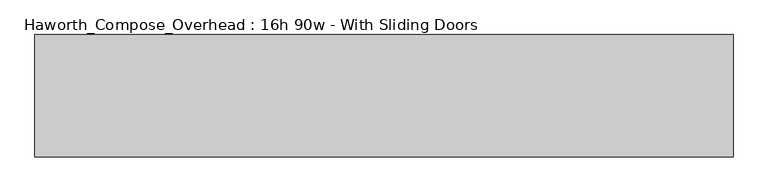
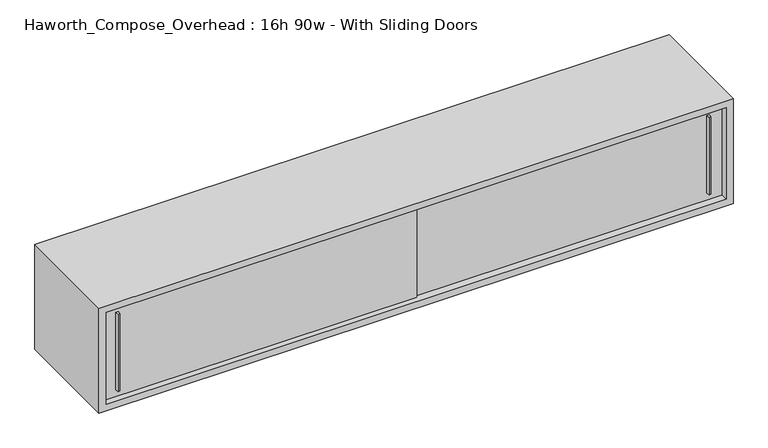
"""IFC4 building model written with IfcOpenShell, lengths in millimetres: furniture geometry, Haworth_Compose_Overhead : 16h 90w - With Sliding Doors."""

from ifc_helpers import new_model, si_unit, frame, origin, place, context, project, spatial, polyline, outline, extrude, source, transform, mapped, element, save


def haworth_compose_overhead_16h_90w_with_sliding_doors_530eceec(model_context):
    return source(origin(), model_context, "Body", "SweptSolid", [
        extrude(outline(polyline([(1235.0750004, -387.3499879), (1228.7249996, -387.3499879), (1227.1375011, -374.65), (1236.6624989, -374.65), (1235.0750004, -387.3499879)])), frame((0.0, 0.0, 1322.3875), z_axis=(0.0, 0.0, 1.0), x_axis=(1.0, 0.0, 0.0)), (0.0, 0.0, 1.0), 295.275),
        extrude(outline(polyline([(-898.5249996, -393.6999879), (-904.8750004, -393.6999879), (-906.4624989, -381.0), (-896.9375011, -381.0), (-898.5249996, -393.6999879)])), frame((0.0, 0.0, 1322.3875), z_axis=(0.0, 0.0, 1.0), x_axis=(1.0, 0.0, 0.0)), (0.0, 0.0, 1.0), 295.275),
        extrude(outline(polyline([(-952.5, -374.65), (177.8, -374.65), (177.8, -381.0), (-952.5, -381.0), (-952.5, -374.65)])), frame((0.0, 0.0, 1295.4), z_axis=(0.0, 0.0, 1.0), x_axis=(1.0, 0.0, 0.0)), (0.0, 0.0, 1.0), 349.25),
        extrude(outline(polyline([(152.4, -368.3), (1282.7, -368.3), (1282.7, -374.65), (152.4, -374.65), (152.4, -368.3)])), frame((0.0, 0.0, 1295.4), z_axis=(0.0, 0.0, 1.0), x_axis=(1.0, 0.0, 0.0)), (0.0, 0.0, 1.0), 349.25),
        extrude(outline(polyline([(1282.7, -6.35), (-952.5, -6.35), (-952.5, 0.0), (1282.7, 0.0), (1282.7, -6.35)])), frame((0.0, 0.0, 1295.4), z_axis=(0.0, 0.0, 1.0), x_axis=(1.0, 0.0, 0.0)), (0.0, 0.0, 1.0), 349.25),
        extrude(outline(polyline([(1270.0, 1308.1), (1670.05, 1308.1), (1670.05, -977.9), (1270.0, -977.9), (1270.0, 1308.1)]), holes=[polyline([(1644.65, 1282.7), (1295.4, 1282.7), (1295.4, -952.5), (1644.65, -952.5), (1644.65, 1282.7)])]), frame((0.0, -400.05, 0.0), z_axis=(0.0, 1.0, 0.0), x_axis=(0.0, 0.0, 1.0)), (0.0, 0.0, 1.0), 400.05),
    ])


if __name__ == "__main__":
    model = new_model("IFC4")
    model_context = context("Model", 3, world=origin())
    ifc_project = project(units=[si_unit("LENGTHUNIT", "METRE", prefix="MILLI")], contexts=[model_context])
    site = spatial("IfcSite", under=ifc_project)
    building = spatial("IfcBuilding", under=site)
    placement = place(None, origin())
    haworth_compose_overhead_16h_90w_with_sliding_doors_shape = haworth_compose_overhead_16h_90w_with_sliding_doors_530eceec(model_context)
    element("IfcFurniture", 1, ObjectType="Haworth_Compose_Overhead : 16h 90w - With Sliding Doors", at=placement, inside=building, context=model_context, shape_type="MappedRepresentation", body=[
        mapped(haworth_compose_overhead_16h_90w_with_sliding_doors_shape, transform((0.0, 0.0, 0.0), x_axis=(1.0, 0.0, 0.0), y_axis=(0.0, 1.0, 0.0), z_axis=(0.0, 0.0, 1.0))),
    ])
    save(model, "model.ifc")
